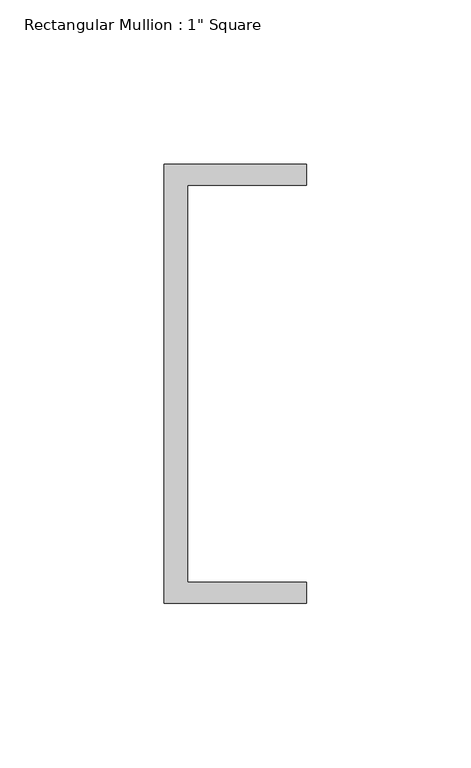
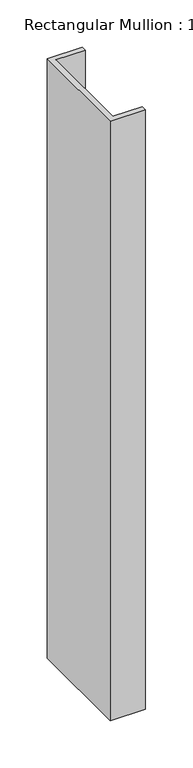
"""IFC4 building model written with IfcOpenShell, lengths in millimetres: member geometry."""

from ifc_helpers import new_model, si_unit, frame, origin, place, context, project, spatial, polyline, outline, extrude, source, transform, mapped, element, save


def member_8fbda7a4(model_context):
    return source(origin(), model_context, "Body", "SweptSolid", [
        extrude(outline(polyline([(-18.6549463, 135.2608739), (24.5675083, 135.2608739), (24.5675083, 128.9108739), (-11.6110886, 128.9108739), (-11.6110886, 8.2608739), (24.5675083, 8.2608739), (24.5675083, 1.9108739), (-18.6549463, 1.9108739), (-18.6549463, 135.2608739)])), frame((0.0, 0.0, -775.690681), z_axis=(0.0, 0.0, 1.0), x_axis=(1.0, 0.0, 0.0)), (0.0, 0.0, 1.0), 775.690681),
    ])


if __name__ == "__main__":
    model = new_model("IFC4")
    model_context = context("Model", 3, world=origin())
    ifc_project = project(units=[si_unit("LENGTHUNIT", "METRE", prefix="MILLI")], contexts=[model_context])
    site = spatial("IfcSite", under=ifc_project)
    building = spatial("IfcBuilding", under=site)
    placement = place(None, origin())
    member_shape = member_8fbda7a4(model_context)
    element("IfcMember", 1, ObjectType="Rectangular Mullion : 1\" Square", at=placement, inside=building, context=model_context, shape_type="MappedRepresentation", body=[
        mapped(member_shape, transform((0.0, 0.0, 0.0), x_axis=(1.0, 0.0, 0.0), y_axis=(0.0, 1.0, 0.0), z_axis=(0.0, 0.0, 1.0))),
    ])
    save(model, "model.ifc")
